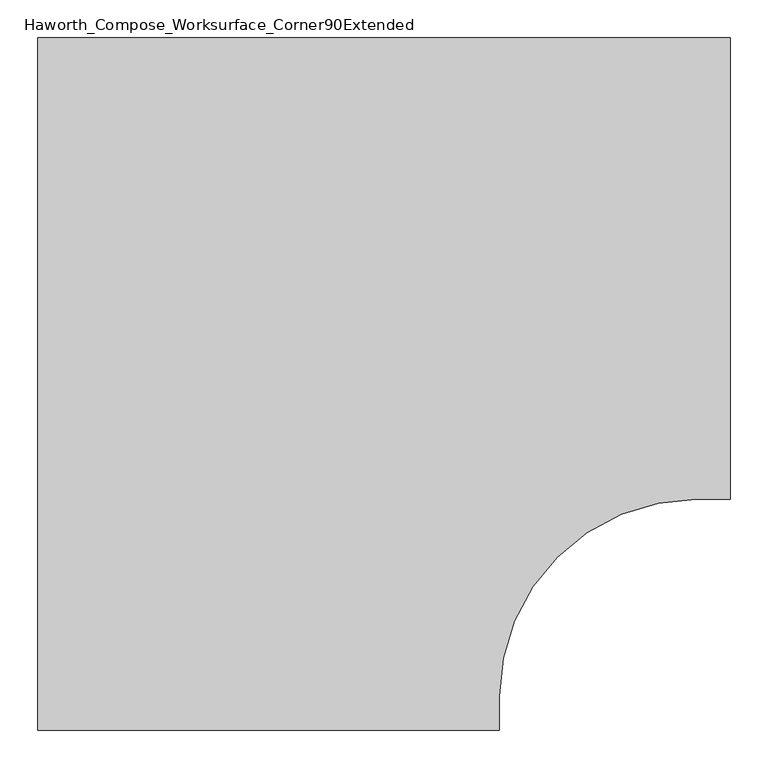
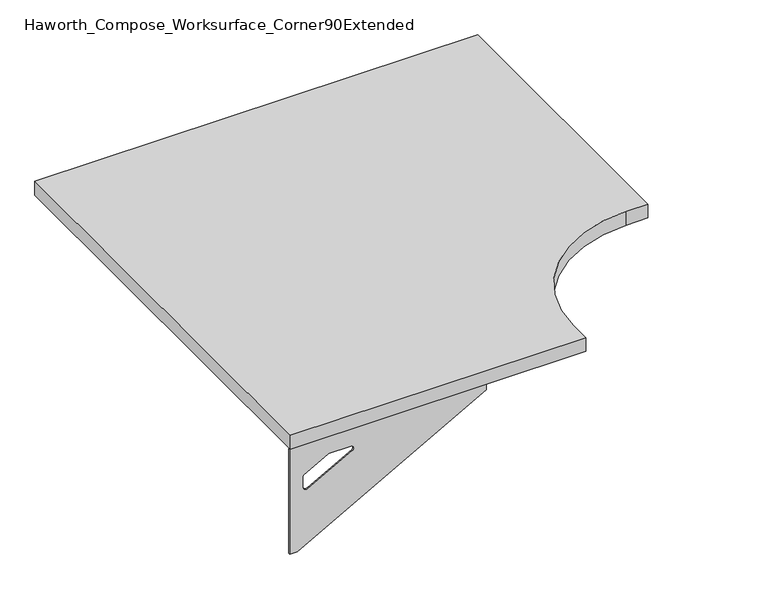
"""IFC4 building model written with IfcOpenShell, lengths in millimetres: furniture geometry, Haworth_Compose_Worksurface_Corner90Extended."""

import ifcopenshell
import ifcopenshell.guid

model = None  # the IFC model being written
_history = None  # IfcOwnerHistory: only IFC2X3 demands one
_inside = {}  # id of a spatial element -> (the spatial element, [elements in it])
_under = {}  # id of a project, library or spatial element -> (it, [spatial elements below it])
_declared = {}  # id of a project -> (the project, [libraries it declares])
_typed = {}  # id of a type object -> (the type object, [elements of that type])
_made_of = {}  # id of a material, layer set ... -> (it, [elements and type objects made of it])


def new_model(schema):
    """Start an empty IFC model of exactly this schema.

    Asked for "IFC4X3", IfcOpenShell would pick the latest addendum, in which some entities
    have other attributes; the version numbers below select the first issue.
    IFC2X3 requires an IfcOwnerHistory on every rooted entity: one is made here for all.
    """
    global model, _history
    if schema == "IFC4X3":
        model = ifcopenshell.file(schema_version=(4, 3, 0, 0))
    else:
        model = ifcopenshell.file(schema=schema)
    _inside.clear()
    _under.clear()
    _declared.clear()
    _typed.clear()
    _made_of.clear()
    _history = None
    if model.schema == "IFC2X3":
        org = make("IfcOrganization", Name="unknown")
        user = make(
            "IfcPersonAndOrganization",
            ThePerson=make("IfcPerson", FamilyName="unknown"),
            TheOrganization=org,
        )
        app = make(
            "IfcApplication",
            ApplicationDeveloper=org,
            Version="unknown",
            ApplicationFullName="unknown",
            ApplicationIdentifier="unknown",
        )
        _history = make(
            "IfcOwnerHistory",
            OwningUser=user,
            OwningApplication=app,
            ChangeAction="ADDED",
            CreationDate=0,
        )
    return model


def make(cls, **values):
    """One entity of the class cls with the attributes given. An attribute that is None is left unset."""
    return model.create_entity(
        cls, **{name: value for name, value in values.items() if value is not None}
    )


def rooted(cls, **values):
    """An entity with a GlobalId (a new one), such as an element, a storey or a relation."""
    return make(cls, GlobalId=ifcopenshell.guid.new(), OwnerHistory=_history, **values)


def si_unit(unit_type, name, prefix=None):
    """IfcSIUnit, for example si_unit("LENGTHUNIT", "METRE", prefix="MILLI")."""
    return make("IfcSIUnit", UnitType=unit_type, Prefix=prefix, Name=name)


def assignment(units):
    """IfcUnitAssignment: the units of a project."""
    return None if units is None else make("IfcUnitAssignment", Units=units)


def point(xyz):
    """IfcCartesianPoint."""
    return None if xyz is None else make("IfcCartesianPoint", Coordinates=xyz)


def direction(xyz):
    """IfcDirection."""
    return None if xyz is None else make("IfcDirection", DirectionRatios=xyz)


def frame(location, z_axis=None, x_axis=None):
    """IfcAxis2Placement3D, a coordinate frame: its origin and axes. An axis left out is left unset."""
    return make(
        "IfcAxis2Placement3D",
        Location=point(location),
        Axis=direction(z_axis),
        RefDirection=direction(x_axis),
    )


def frame_2d(location, x_axis=None):
    """IfcAxis2Placement2D, a coordinate frame in the plane: its origin and x axis."""
    return make(
        "IfcAxis2Placement2D", Location=point(location), RefDirection=direction(x_axis)
    )


def origin():
    """The frame at (0, 0, 0) with its axes left unset."""
    return frame((0.0, 0.0, 0.0))


def place(relative_to, where):
    """IfcLocalPlacement: puts the frame where relative to a parent placement (None: the world)."""
    return make(
        "IfcLocalPlacement", PlacementRelTo=relative_to, RelativePlacement=where
    )


def context(
    kind, dimensions, precision=None, world=None, true_north=None, identifier=None
):
    """IfcGeometricRepresentationContext, for example the 3D "Model" context."""
    return make(
        "IfcGeometricRepresentationContext",
        ContextIdentifier=identifier,
        ContextType=kind,
        CoordinateSpaceDimension=dimensions,
        Precision=precision,
        WorldCoordinateSystem=world,
        TrueNorth=true_north,
    )


def project(units=None, contexts=None):
    """IfcProject with its units and contexts."""
    return rooted(
        "IfcProject",
        Name="project",
        RepresentationContexts=contexts,
        UnitsInContext=assignment(units),
    )


def spatial(cls, under=None, at=None, **own):
    """A site, building, storey or space (cls), placed at a placement, below another one or the project."""
    s = rooted(cls, ObjectPlacement=at, **own)
    if under is not None:
        _under.setdefault(under.id(), (under, []))[1].append(s)
    return s


def polyline(points):
    """IfcPolyline through the points."""
    return make("IfcPolyline", Points=[point(p) for p in points])


def circle_curve(where, radius):
    """IfcCircle in the frame where."""
    return make("IfcCircle", Position=where, Radius=radius)


def trimmed(basis, trim1, trim2, sense, master):
    """IfcTrimmedCurve: the piece of a basis curve between two trims."""
    return make(
        "IfcTrimmedCurve",
        BasisCurve=basis,
        Trim1=trim1,
        Trim2=trim2,
        SenseAgreement=sense,
        MasterRepresentation=master,
    )


def segment(curve, same_sense, transition):
    """IfcCompositeCurveSegment."""
    return make(
        "IfcCompositeCurveSegment",
        Transition=transition,
        SameSense=same_sense,
        ParentCurve=curve,
    )


def composite_curve(segments, self_intersect=None):
    """IfcCompositeCurve: segments joined end to end."""
    return make("IfcCompositeCurve", Segments=segments, SelfIntersect=self_intersect)


def outline(outer, holes=None, kind="AREA"):
    """IfcArbitraryClosedProfileDef: a profile drawn as a closed curve; with holes, ...WithVoids."""
    if holes is None:
        return make("IfcArbitraryClosedProfileDef", ProfileType=kind, OuterCurve=outer)
    return make(
        "IfcArbitraryProfileDefWithVoids",
        ProfileType=kind,
        OuterCurve=outer,
        InnerCurves=holes,
    )


def extrude(swept, where, along, depth):
    """IfcExtrudedAreaSolid: the profile swept, set in the frame where, extruded along a direction by depth."""
    return make(
        "IfcExtrudedAreaSolid",
        SweptArea=swept,
        Position=where,
        ExtrudedDirection=direction(along),
        Depth=depth,
    )


def shape(context_of_items, identifier, shape_type, items):
    """IfcShapeRepresentation: the items that make up one representation, for example the "Body"."""
    return make(
        "IfcShapeRepresentation",
        ContextOfItems=context_of_items,
        RepresentationIdentifier=identifier,
        RepresentationType=shape_type,
        Items=items,
    )


def source(mapping_origin, context_of_items, identifier, shape_type, items):
    """IfcRepresentationMap: a shape defined once, which mapped items show again and again."""
    return make(
        "IfcRepresentationMap",
        MappingOrigin=mapping_origin,
        MappedRepresentation=shape(context_of_items, identifier, shape_type, items),
    )


def transform(
    local_origin,
    x_axis=None,
    y_axis=None,
    z_axis=None,
    scale=None,
    scale2=None,
    scale3=None,
    uniform=True,
):
    """IfcCartesianTransformationOperator3D, or its non-uniform kind. x_axis, y_axis, z_axis: its Axis1, 2, 3."""
    if uniform:
        return make(
            "IfcCartesianTransformationOperator3D",
            Axis1=direction(x_axis),
            Axis2=direction(y_axis),
            LocalOrigin=point(local_origin),
            Scale=scale,
            Axis3=direction(z_axis),
        )
    return make(
        "IfcCartesianTransformationOperator3DnonUniform",
        Axis1=direction(x_axis),
        Axis2=direction(y_axis),
        LocalOrigin=point(local_origin),
        Scale=scale,
        Axis3=direction(z_axis),
        Scale2=scale2,
        Scale3=scale3,
    )


def mapped(mapping_source, mapping_target):
    """IfcMappedItem: shows the shape of a source again, moved by a transform."""
    return make(
        "IfcMappedItem", MappingSource=mapping_source, MappingTarget=mapping_target
    )


def made_of(thing, what):
    """Note that an element or type object is made of a material, layer set ...; save() writes the relation."""
    if what is not None:
        _made_of.setdefault(what.id(), (what, []))[1].append(thing)
    return thing


def element(
    cls,
    number,
    at=None,
    inside=None,
    cuts=None,
    type_object=None,
    material=None,
    context=None,
    identifier="Body",
    shape_type=None,
    held_by="IfcProductDefinitionShape",
    body=None,
    shapes=None,
    **own,
):
    """One element of the class cls, such as IfcWall. Its Tag is "e" and its number.

    at: its placement. inside: the storey or other place that contains it. cuts: it is an
    opening in that element (IfcRelVoidsElement). A single representation is given by context,
    identifier, shape_type and body (its items); several are given by shapes. held_by: the class
    of the entity that holds the representations. save() writes the other relations.
    """
    e = rooted(cls, Tag="e%d" % number, ObjectPlacement=at, **own)
    if body is not None:
        shapes = [shape(context, identifier, shape_type, body)]
    if shapes is not None:
        e.Representation = make(held_by, Representations=shapes)
    if inside is not None:
        _inside.setdefault(inside.id(), (inside, []))[1].append(e)
    if cuts is not None:
        rooted(
            "IfcRelVoidsElement", RelatingBuildingElement=cuts, RelatedOpeningElement=e
        )
    if type_object is not None:
        _typed.setdefault(type_object.id(), (type_object, []))[1].append(e)
    return made_of(e, material)


def aggregate(whole, parts):
    """IfcRelAggregates: a whole, such as a stair, and the parts it consists of."""
    return rooted("IfcRelAggregates", RelatingObject=whole, RelatedObjects=parts)


def save(model, path):
    """Write the relations noted so far, then the file.

    IfcRelAggregates (storeys below a building ...), IfcRelContainedInSpatialStructure (elements
    in a storey), IfcRelDefinesByType, IfcRelAssociatesMaterial and IfcRelDeclares: one each for
    every whole, place, type object, material and project.
    """
    for whole, parts in _under.values():
        aggregate(whole, parts)
    for where, things in _inside.values():
        rooted(
            "IfcRelContainedInSpatialStructure",
            RelatedElements=things,
            RelatingStructure=where,
        )
    for kind, things in _typed.values():
        rooted("IfcRelDefinesByType", RelatedObjects=things, RelatingType=kind)
    for what, things in _made_of.values():
        rooted("IfcRelAssociatesMaterial", RelatedObjects=things, RelatingMaterial=what)
    for by, libraries in _declared.values():
        rooted("IfcRelDeclares", RelatingContext=by, RelatedDefinitions=libraries)
    model.write(path)


def plane_surface(at):
    """IfcPlane: the flat surface through the origin of the frame at, square to its z axis."""
    return make("IfcPlane", Position=at)


def revolved_surface(curve, axis_point, axis_direction):
    """IfcSurfaceOfRevolution: the curve turned about the line through axis_point along axis_direction."""
    return make(
        "IfcSurfaceOfRevolution",
        SweptCurve=make("IfcArbitraryOpenProfileDef", ProfileType="CURVE", Curve=curve),
        AxisPosition=make("IfcAxis1Placement", Location=point(axis_point), Axis=direction(axis_direction)),
    )


def advanced_brep(points, edges, surfaces, faces):
    """IfcAdvancedBrep: a solid bounded by faces that lie on surfaces and meet in shared edges.

    An edge is (start, end): straight between two places in points (the first is 0);
    or (start, end, curve); or (start, end, curve, False) where it runs against its curve.
    A face is (place in surfaces, loops), or (place, loops, False) where it looks against
    its surface's normal. A loop lists edges by number (the first is 1), with a minus sign
    where the edge is run from its end to its start. The first loop is the outer one.
    """
    corners = [point(p) for p in points]
    vertices = [make("IfcVertexPoint", VertexGeometry=c) for c in corners]
    made = []
    for start, end, *more in edges:
        made.append(
            make(
                "IfcEdgeCurve",
                EdgeStart=vertices[start],
                EdgeEnd=vertices[end],
                EdgeGeometry=more[0] if more else make("IfcPolyline", Points=[corners[start], corners[end]]),
                SameSense=more[1] if len(more) > 1 else True,
            )
        )
    hull = []
    for where, loops, *sense in faces:
        bounds = []
        for j, loop in enumerate(loops):
            ring = [make("IfcOrientedEdge", EdgeElement=made[abs(k) - 1], Orientation=k > 0) for k in loop]
            bounds.append(
                make(
                    "IfcFaceOuterBound" if j == 0 else "IfcFaceBound",
                    Bound=make("IfcEdgeLoop", EdgeList=ring),
                    Orientation=True,
                )
            )
        hull.append(make("IfcAdvancedFace", Bounds=bounds, FaceSurface=surfaces[where], SameSense=sense[0] if sense else True))
    return make("IfcAdvancedBrep", Outer=make("IfcClosedShell", CfsFaces=hull))


def haworth_compose_worksurface_corner90extended_7c9e6ac8(model_context):
    return source(origin(), model_context, "Body", "SolidModel", [
        advanced_brep(
        [(604.04375, 152.4, 475.45625), (604.04375, 136.525, 475.45625), (604.04375, -254.0, 691.7192568), (604.04375, -254.0, 704.05625), (604.04375, 136.525, 704.05625), (604.04375, 152.4, 704.05625), (604.04375, 69.090072, 665.95625), (604.04375, 25.4355284, 665.95625), (604.04375, 22.7564235, 656.3705539), (604.04375, 114.4776173, 605.5776439), (604.04375, 123.825, 611.1756969), (604.04375, 123.825, 634.6860246), (604.04375, 122.0730055, 637.5242776), (604.04375, 72.1663437, 665.1613425), (606.425, 152.4, 475.45625), (606.425, 152.4, 704.05625), (606.425, 136.525, 704.05625), (606.425, 136.525, 706.4375), (606.425, -254.0, 706.4375), (606.425, -254.0, 691.7192568), (606.425, 136.525, 475.45625), (606.425, 69.090072, 665.95625), (606.425, 72.1663437, 665.1613425), (606.425, 122.0730055, 637.5242776), (606.425, 123.825, 634.6860246), (606.425, 123.825, 611.1756969), (606.425, 114.4776173, 605.5776439), (606.425, 22.7564235, 656.3705539), (606.425, 25.4355284, 665.95625), (565.15, -254.0, 706.4375), (565.15, -254.0, 704.05625), (565.15, 136.525, 704.05625), (565.15, 136.525, 706.4375)],
        [
            (0, 1),
            (1, 2),
            (2, 3),
            (3, 4),
            (4, 5),
            (5, 0),
            (6, 7),
            (7, 8, circle_curve(frame((604.04375, 25.4355284, 660.7890106), z_axis=(1.0, 0.0, 0.0), x_axis=(0.0, -1.0, 0.0)), 5.1672394)),
            (8, 9),
            (9, 10, circle_curve(frame((604.04375, 117.475, 611.1756969), z_axis=(1.0, 0.0, 0.0), x_axis=(0.0, -1.0, 0.0)), 6.35)),
            (10, 11),
            (11, 12, circle_curve(frame((604.04375, 120.65, 634.6860246), z_axis=(1.0, 0.0, 0.0), x_axis=(0.0, -1.0, 0.0)), 3.175)),
            (12, 13),
            (13, 6, circle_curve(frame((604.04375, 69.090072, 659.60625), z_axis=(1.0, 0.0, 0.0), x_axis=(0.0, -1.0, 0.0)), 6.35)),
            (14, 15),
            (15, 16),
            (16, 17),
            (17, 18),
            (18, 19),
            (19, 20),
            (20, 14),
            (21, 22, circle_curve(frame((606.425, 69.090072, 659.60625), z_axis=(-1.0, 0.0, 0.0), x_axis=(0.0, -1.0, 0.0)), 6.35)),
            (22, 23),
            (23, 24, circle_curve(frame((606.425, 120.65, 634.6860246), z_axis=(-1.0, 0.0, 0.0), x_axis=(0.0, -1.0, 0.0)), 3.175)),
            (24, 25),
            (25, 26, circle_curve(frame((606.425, 117.475, 611.1756969), z_axis=(-1.0, 0.0, 0.0), x_axis=(0.0, -1.0, 0.0)), 6.35)),
            (26, 27),
            (27, 28, circle_curve(frame((606.425, 25.4355284, 660.7890106), z_axis=(-1.0, 0.0, 0.0), x_axis=(0.0, -1.0, 0.0)), 5.1672394)),
            (28, 21),
            (4, 16),
            (15, 5),
            (14, 0),
            (20, 1),
            (19, 2),
            (18, 29),
            (29, 30),
            (30, 3),
            (6, 21),
            (28, 7),
            (9, 26),
            (25, 10),
            (24, 11),
            (23, 12),
            (27, 8),
            (31, 4),
            (30, 31),
            (32, 29),
            (17, 32),
            (31, 32),
            (22, 13),
        ],
        [
            plane_surface(frame((604.04375, 152.4, 475.45625), z_axis=(-1.0, 0.0, 0.0), x_axis=(0.0, 1.0, 0.0))),
            plane_surface(frame((606.425, 152.4, 475.45625), z_axis=(1.0, 0.0, 0.0), x_axis=(0.0, -1.0, 0.0))),
            plane_surface(frame((606.425, -254.0, 704.05625), z_axis=(0.0, 0.0, 1.0), x_axis=(-1.0, 0.0, 0.0))),
            plane_surface(frame((606.425, 152.4, 704.05625), z_axis=(0.0, 1.0, 0.0), x_axis=(-1.0, 0.0, 0.0))),
            plane_surface(frame((606.425, 152.4, 475.45625), z_axis=(0.0, 0.0, -1.0), x_axis=(-1.0, 0.0, 0.0))),
            plane_surface(frame((606.425, 136.525, 475.45625), z_axis=(0.0, -0.4844522351345575, -0.8748177135112957), x_axis=(-1.0, 0.0, 0.0))),
            plane_surface(frame((606.425, -254.0, 691.7192568), z_axis=(0.0, -1.0, 0.0), x_axis=(-1.0, 0.0, 0.0))),
            plane_surface(frame((606.425, 69.090072, 665.95625), z_axis=(0.0, 0.0, -1.0), x_axis=(-1.0, 0.0, 0.0))),
            revolved_surface(polyline([(604.04375, 111.125, 611.1756969), (606.425, 111.125, 611.1756969)]), (606.425, 117.475, 611.1756969), (-1.0, 0.0, 0.0)),
            plane_surface(frame((606.425, 123.825, 611.1756969), z_axis=(0.0, -1.0, 0.0), x_axis=(-1.0, 0.0, 0.0))),
            revolved_surface(polyline([(604.04375, 117.47500000000001, 634.6860246), (606.425, 117.47500000000001, 634.6860246)]), (606.425, 120.65, 634.6860246), (-1.0, 0.0, 0.0)),
            revolved_surface(polyline([(604.04375, 20.268289, 660.7890106), (606.425, 20.268289, 660.7890106)]), (606.425, 25.4355284, 660.7890106), (-1.0, 0.0, 0.0)),
            plane_surface(frame((606.425, 136.525, 704.05625), z_axis=(0.0, 0.0, -1.0), x_axis=(-1.0, 0.0, 0.0))),
            plane_surface(frame((606.425, 136.525, 706.4375), z_axis=(0.0, 0.0, 1.0), x_axis=(1.0, 0.0, 0.0))),
            plane_surface(frame((565.15, 136.525, 706.4375), z_axis=(0.0, 1.0, 0.0), x_axis=(0.0, 0.0, -1.0))),
            plane_surface(frame((565.15, -254.0, 706.4375), z_axis=(-1.0, 0.0, 0.0), x_axis=(0.0, 0.0, -1.0))),
            plane_surface(frame((606.425, 22.7564235, 656.3705539), z_axis=(0.0, 0.4844522351341526, 0.8748177135115199), x_axis=(-1.0, 0.0, 0.0))),
            plane_surface(frame((606.425, 122.0730055, 637.5242776), z_axis=(0.0, -0.48445223513456226, -0.874817713511293), x_axis=(-1.0, 0.0, 0.0))),
            revolved_surface(polyline([(604.04375, 62.740072000000005, 659.60625), (606.425, 62.740072000000005, 659.60625)]), (606.425, 69.090072, 659.60625), (-1.0, 0.0, 0.0)),
        ],
        [
            (0, [[1, 2, 3, 4, 5, 6], [7, 8, 9, 10, 11, 12, 13, 14]]),
            (1, [[15, 16, 17, 18, 19, 20, 21], [22, 23, 24, 25, 26, 27, 28, 29]]),
            (2, [[-5, 30, -16, 31]]),
            (3, [[-31, -15, 32, -6]]),
            (4, [[-32, -21, 33, -1]]),
            (5, [[-33, -20, 34, -2]]),
            (6, [[-34, -19, 35, 36, 37, -3]]),
            (7, [[38, -29, 39, -7]]),
            (8, [[40, -26, 41, -10]]),
            (9, [[-41, -25, 42, -11]]),
            (10, [[-42, -24, 43, -12]]),
            (11, [[-39, -28, 44, -8]]),
            (12, [[45, -4, -37, 46]]),
            (13, [[47, -35, -18, 48]]),
            (14, [[-17, -30, -45, 49, -48]]),
            (15, [[-36, -47, -49, -46]]),
            (16, [[-44, -27, -40, -9]]),
            (17, [[-43, -23, 50, -13]]),
            (18, [[-50, -22, -38, -14]]),
        ],
    ),
        advanced_brep(
        [(-304.8, -756.44375, 475.45625), (-304.8, -756.44375, 704.05625), (-288.925, -756.44375, 704.05625), (101.6, -756.44375, 704.05625), (101.6, -756.44375, 691.7192568), (-288.925, -756.44375, 475.45625), (-221.490072, -756.44375, 665.95625), (-224.5663437, -756.44375, 665.1613425), (-274.4730055, -756.44375, 637.5242776), (-276.225, -756.44375, 634.6860246), (-276.225, -756.44375, 611.1756969), (-266.8776173, -756.44375, 605.5776439), (-175.1564235, -756.44375, 656.3705539), (-177.8355284, -756.44375, 665.95625), (-304.8, -758.825, 475.45625), (-288.925, -758.825, 475.45625), (101.6, -758.825, 691.7192568), (101.6, -758.825, 706.4375), (-288.925, -758.825, 706.4375), (-288.925, -758.825, 704.05625), (-304.8, -758.825, 704.05625), (-221.490072, -758.825, 665.95625), (-177.8355284, -758.825, 665.95625), (-175.1564235, -758.825, 656.3705539), (-266.8776173, -758.825, 605.5776439), (-276.225, -758.825, 611.1756969), (-276.225, -758.825, 634.6860246), (-274.4730055, -758.825, 637.5242776), (-224.5663437, -758.825, 665.1613425), (101.6, -717.55, 704.05625), (101.6, -717.55, 706.4375), (-288.925, -717.55, 704.05625), (-288.925, -717.55, 706.4375)],
        [
            (0, 1),
            (1, 2),
            (2, 3),
            (3, 4),
            (4, 5),
            (5, 0),
            (6, 7, circle_curve(frame((-221.490072, -756.44375, 659.60625), z_axis=(0.0, -1.0, 0.0), x_axis=(1.0, 0.0, 0.0)), 6.35)),
            (7, 8),
            (8, 9, circle_curve(frame((-273.05, -756.44375, 634.6860246), z_axis=(0.0, -1.0, 0.0), x_axis=(1.0, 0.0, 0.0)), 3.175)),
            (9, 10),
            (10, 11, circle_curve(frame((-269.875, -756.44375, 611.1756969), z_axis=(0.0, -1.0, 0.0), x_axis=(1.0, 0.0, 0.0)), 6.35)),
            (11, 12),
            (12, 13, circle_curve(frame((-177.8355284, -756.44375, 660.7890106), z_axis=(0.0, -1.0, 0.0), x_axis=(1.0, 0.0, 0.0)), 5.1672394)),
            (13, 6),
            (14, 15),
            (15, 16),
            (16, 17),
            (17, 18),
            (18, 19),
            (19, 20),
            (20, 14),
            (21, 22),
            (22, 23, circle_curve(frame((-177.8355284, -758.825, 660.7890106), z_axis=(0.0, 1.0, 0.0), x_axis=(1.0, 0.0, 0.0)), 5.1672394)),
            (23, 24),
            (24, 25, circle_curve(frame((-269.875, -758.825, 611.1756969), z_axis=(0.0, 1.0, 0.0), x_axis=(1.0, 0.0, 0.0)), 6.35)),
            (25, 26),
            (26, 27, circle_curve(frame((-273.05, -758.825, 634.6860246), z_axis=(0.0, 1.0, 0.0), x_axis=(1.0, 0.0, 0.0)), 3.175)),
            (27, 28),
            (28, 21, circle_curve(frame((-221.490072, -758.825, 659.60625), z_axis=(0.0, 1.0, 0.0), x_axis=(1.0, 0.0, 0.0)), 6.35)),
            (1, 20),
            (19, 2),
            (0, 14),
            (5, 15),
            (4, 16),
            (3, 29),
            (29, 30),
            (30, 17),
            (13, 22),
            (21, 6),
            (10, 25),
            (24, 11),
            (9, 26),
            (8, 27),
            (12, 23),
            (31, 29),
            (2, 31),
            (32, 18),
            (30, 32),
            (32, 31),
            (7, 28),
        ],
        [
            plane_surface(frame((-304.8, -756.44375, 475.45625), z_axis=(0.0, 1.0, 0.0), x_axis=(-1.0, 0.0, 0.0))),
            plane_surface(frame((-304.8, -758.825, 475.45625), z_axis=(0.0, -1.0, 0.0), x_axis=(1.0, 0.0, 0.0))),
            plane_surface(frame((101.6, -758.825, 704.05625), z_axis=(0.0, 0.0, 1.0), x_axis=(0.0, 1.0, 0.0))),
            plane_surface(frame((-304.8, -758.825, 704.05625), z_axis=(-1.0, 0.0, 0.0), x_axis=(0.0, 1.0, 0.0))),
            plane_surface(frame((-304.8, -758.825, 475.45625), z_axis=(0.0, 0.0, -1.0), x_axis=(0.0, 1.0, 0.0))),
            plane_surface(frame((-288.925, -758.825, 475.45625), z_axis=(0.4844522351345575, 0.0, -0.8748177135112957), x_axis=(0.0, 1.0, 0.0))),
            plane_surface(frame((101.6, -758.825, 691.7192568), z_axis=(1.0, 0.0, 0.0), x_axis=(0.0, 1.0, 0.0))),
            plane_surface(frame((-221.490072, -758.825, 665.95625), z_axis=(0.0, 0.0, -1.0), x_axis=(0.0, 1.0, 0.0))),
            revolved_surface(polyline([(-263.525, -756.44375, 611.1756969), (-263.525, -758.825, 611.1756969)]), (-269.875, -758.825, 611.1756969), (0.0, 1.0, 0.0)),
            plane_surface(frame((-276.225, -758.825, 611.1756969), z_axis=(1.0, 0.0, 0.0), x_axis=(0.0, 1.0, 0.0))),
            revolved_surface(polyline([(-269.875, -756.44375, 634.6860246), (-269.875, -758.825, 634.6860246)]), (-273.05, -758.825, 634.6860246), (0.0, 1.0, 0.0)),
            revolved_surface(polyline([(-172.668289, -756.44375, 660.7890106), (-172.668289, -758.825, 660.7890106)]), (-177.8355284, -758.825, 660.7890106), (0.0, 1.0, 0.0)),
            plane_surface(frame((-288.925, -758.825, 704.05625), z_axis=(0.0, 0.0, -1.0), x_axis=(0.0, 1.0, 0.0))),
            plane_surface(frame((-288.925, -758.825, 706.4375), z_axis=(0.0, 0.0, 1.0), x_axis=(0.0, -1.0, 0.0))),
            plane_surface(frame((-288.925, -717.55, 706.4375), z_axis=(-1.0, 0.0, 0.0), x_axis=(0.0, 0.0, -1.0))),
            plane_surface(frame((101.6, -717.55, 706.4375), z_axis=(0.0, 1.0, 0.0), x_axis=(0.0, 0.0, -1.0))),
            plane_surface(frame((-175.1564235, -758.825, 656.3705539), z_axis=(-0.4844522351341526, 0.0, 0.8748177135115199), x_axis=(0.0, 1.0, 0.0))),
            plane_surface(frame((-274.4730055, -758.825, 637.5242776), z_axis=(0.48445223513456226, 0.0, -0.874817713511293), x_axis=(0.0, 1.0, 0.0))),
            revolved_surface(polyline([(-215.140072, -756.44375, 659.60625), (-215.140072, -758.825, 659.60625)]), (-221.490072, -758.825, 659.60625), (0.0, 1.0, 0.0)),
        ],
        [
            (0, [[1, 2, 3, 4, 5, 6], [7, 8, 9, 10, 11, 12, 13, 14]]),
            (1, [[15, 16, 17, 18, 19, 20, 21], [22, 23, 24, 25, 26, 27, 28, 29]]),
            (2, [[30, -20, 31, -2]]),
            (3, [[-1, 32, -21, -30]]),
            (4, [[-6, 33, -15, -32]]),
            (5, [[-5, 34, -16, -33]]),
            (6, [[-4, 35, 36, 37, -17, -34]]),
            (7, [[-14, 38, -22, 39]]),
            (8, [[-11, 40, -25, 41]]),
            (9, [[-10, 42, -26, -40]]),
            (10, [[-9, 43, -27, -42]]),
            (11, [[-13, 44, -23, -38]]),
            (12, [[45, -35, -3, 46]]),
            (13, [[47, -18, -37, 48]]),
            (14, [[-47, 49, -46, -31, -19]]),
            (15, [[-45, -49, -48, -36]]),
            (16, [[-12, -41, -24, -44]]),
            (17, [[-8, 50, -28, -43]]),
            (18, [[-7, -39, -29, -50]]),
        ],
    ),
        extrude(outline(composite_curve([segment(polyline([(-304.8, 152.4), (609.6, 152.4), (609.6, -457.2), (565.15, -457.2)]), True, "CONTINUOUS"), segment(trimmed(circle_curve(frame_2d((565.15, -717.55)), 260.35), [point((565.15, -457.2))], [point((304.8, -717.55))], True, "CARTESIAN"), True, "CONTINUOUS"), segment(polyline([(304.8, -717.55), (304.8, -762.0), (-304.8, -762.0), (-304.8, 152.4)]), True, "CONTINUOUS")], self_intersect=False)), frame((0.0, 0.0, 706.4375), z_axis=(0.0, 0.0, 1.0), x_axis=(1.0, 0.0, 0.0)), (0.0, 0.0, 1.0), 30.1625),
    ])


if __name__ == "__main__":
    model = new_model("IFC4")
    model_context = context("Model", 3, world=origin())
    ifc_project = project(units=[si_unit("LENGTHUNIT", "METRE", prefix="MILLI")], contexts=[model_context])
    site = spatial("IfcSite", under=ifc_project)
    building = spatial("IfcBuilding", under=site)
    placement = place(None, origin())
    haworth_compose_worksurface_corner90extended_shape = haworth_compose_worksurface_corner90extended_7c9e6ac8(model_context)
    element("IfcFurniture", 1, ObjectType="Haworth_Compose_Worksurface_Corner90Extended", at=placement, inside=building, context=model_context, shape_type="MappedRepresentation", body=[
        mapped(haworth_compose_worksurface_corner90extended_shape, transform((0.0, 0.0, 0.0), x_axis=(1.0, 0.0, 0.0), y_axis=(0.0, 1.0, 0.0), z_axis=(0.0, 0.0, 1.0))),
    ])
    save(model, "model.ifc")
